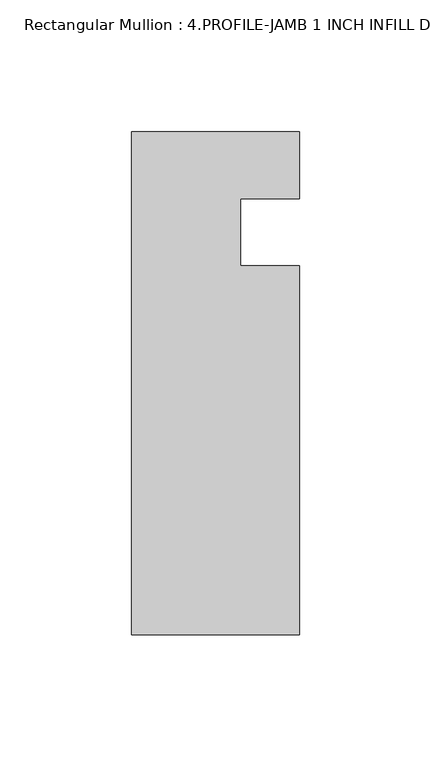
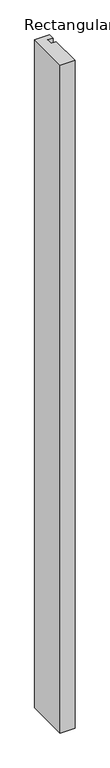
"""IFC4 building model written with IfcOpenShell, lengths in millimetres: member geometry, Rectangular Mullion : 4.PROFILE-JAMB 1 INCH INFILL DETAIL 5."""

from ifc_helpers import new_model, si_unit, frame, origin, place, context, project, spatial, polyline, outline, extrude, source, transform, mapped, element, save


def rectangular_mullion_4_profile_jamb_1_inch_infill_detail_5_e202f3ec(model_context):
    return source(origin(), model_context, "Body", "SweptSolid", [
        extrude(outline(polyline([(0.0, -89.7468871), (-63.5, -89.7468871), (-63.5, 100.7266996), (0.0, 100.7266996), (0.0, 75.3531079), (-22.2248868, 75.3531079), (-22.2248868, 49.9531079), (0.0, 49.9531079), (0.0, -89.7468871)])), frame((0.0, 0.0, -3048.0), z_axis=(0.0, 0.0, 1.0), x_axis=(1.0, 0.0, 0.0)), (0.0, 0.0, 1.0), 3048.0),
    ])


if __name__ == "__main__":
    model = new_model("IFC4")
    model_context = context("Model", 3, world=origin())
    ifc_project = project(units=[si_unit("LENGTHUNIT", "METRE", prefix="MILLI")], contexts=[model_context])
    site = spatial("IfcSite", under=ifc_project)
    building = spatial("IfcBuilding", under=site)
    placement = place(None, origin())
    rectangular_mullion_4_profile_jamb_1_inch_infill_detail_5_shape = rectangular_mullion_4_profile_jamb_1_inch_infill_detail_5_e202f3ec(model_context)
    element("IfcMember", 1, ObjectType="Rectangular Mullion : 4.PROFILE-JAMB 1 INCH INFILL DETAIL 5", at=placement, inside=building, context=model_context, shape_type="MappedRepresentation", body=[
        mapped(rectangular_mullion_4_profile_jamb_1_inch_infill_detail_5_shape, transform((0.0, 0.0, 0.0), x_axis=(1.0, 0.0, 0.0), y_axis=(0.0, 1.0, 0.0), z_axis=(0.0, 0.0, 1.0))),
    ])
    save(model, "model.ifc")
